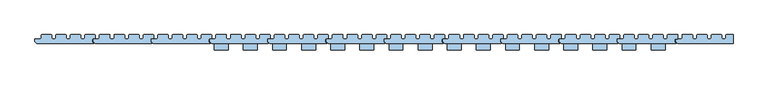
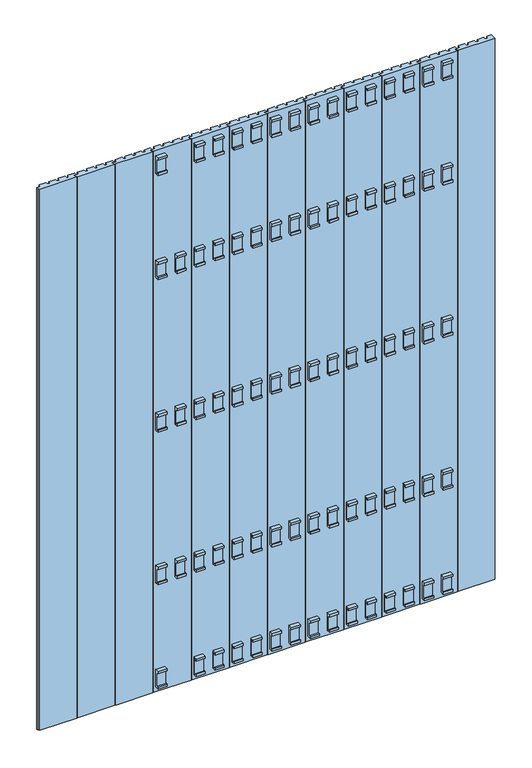
"""IFC4 building model written with IfcOpenShell, lengths in millimetres: window geometry."""

from ifc_helpers import new_model, si_unit, frame, origin, place, context, project, spatial, polyline, outline, extrude, source, transform, mapped, element, save


def window_fafd3f61(model_context):
    return source(origin(), model_context, "Body", "SweptSolid", [
        extrude(outline(polyline([(535.0, 131.0), (535.0, 137.0), (536.0, 138.0), (557.5, 138.0), (558.5, 137.0), (558.5, 131.0), (561.5, 128.0), (564.5, 128.0), (567.5, 131.0), (567.5, 137.0), (568.5, 138.0), (590.0, 138.0), (591.0, 137.0), (591.0, 131.0), (594.0, 128.0), (597.0, 128.0), (600.0, 131.0), (600.0, 137.0), (601.0, 138.0), (622.5, 138.0), (623.5, 137.0), (623.5, 131.0), (626.5, 128.0), (629.5, 128.0), (632.5, 131.0), (632.5, 137.0), (633.5, 138.0), (655.0, 138.0), (656.0, 137.0), (656.0, 129.0), (655.0, 128.0), (649.0, 128.0), (649.0, 122.0), (652.1, 118.9), (652.1, 118.0), (525.5, 118.0), (521.0, 122.5), (521.0, 128.0), (532.0, 128.0), (535.0, 131.0)])), frame((0.0, 0.0, 100.0), z_axis=(0.0, 0.0, 1.0), x_axis=(1.0, 0.0, 0.0)), (0.0, 0.0, 1.0), 1951.0),
        extrude(outline(polyline([(405.0, 131.0), (405.0, 137.0), (406.0, 138.0), (427.5, 138.0), (428.5, 137.0), (428.5, 131.0), (431.5, 128.0), (434.5, 128.0), (437.5, 131.0), (437.5, 137.0), (438.5, 138.0), (460.0, 138.0), (461.0, 137.0), (461.0, 131.0), (464.0, 128.0), (467.0, 128.0), (470.0, 131.0), (470.0, 137.0), (471.0, 138.0), (492.5, 138.0), (493.5, 137.0), (493.5, 131.0), (496.5, 128.0), (499.5, 128.0), (502.5, 131.0), (502.5, 137.0), (503.5, 138.0), (525.0, 138.0), (526.0, 137.0), (526.0, 129.0), (525.0, 128.0), (519.0, 128.0), (519.0, 122.0), (522.1, 118.9), (522.1, 118.0), (395.5, 118.0), (391.0, 122.5), (391.0, 128.0), (402.0, 128.0), (405.0, 131.0)])), frame((0.0, 0.0, 100.0), z_axis=(0.0, 0.0, 1.0), x_axis=(1.0, 0.0, 0.0)), (0.0, 0.0, 1.0), 1951.0),
        extrude(outline(polyline([(275.0, 131.0), (275.0, 137.0), (276.0, 138.0), (297.5, 138.0), (298.5, 137.0), (298.5, 131.0), (301.5, 128.0), (304.5, 128.0), (307.5, 131.0), (307.5, 137.0), (308.5, 138.0), (330.0, 138.0), (331.0, 137.0), (331.0, 131.0), (334.0, 128.0), (337.0, 128.0), (340.0, 131.0), (340.0, 137.0), (341.0, 138.0), (362.5, 138.0), (363.5, 137.0), (363.5, 131.0), (366.5, 128.0), (369.5, 128.0), (372.5, 131.0), (372.5, 137.0), (373.5, 138.0), (395.0, 138.0), (396.0, 137.0), (396.0, 129.0), (395.0, 128.0), (389.0, 128.0), (389.0, 122.0), (392.1, 118.9), (392.1, 118.0), (265.5, 118.0), (261.0, 122.5), (261.0, 128.0), (272.0, 128.0), (275.0, 131.0)])), frame((0.0, 0.0, 100.0), z_axis=(0.0, 0.0, 1.0), x_axis=(1.0, 0.0, 0.0)), (0.0, 0.0, 1.0), 1951.0),
        extrude(outline(polyline([(145.0, 131.0), (145.0, 137.0), (146.0, 138.0), (167.5, 138.0), (168.5, 137.0), (168.5, 131.0), (171.5, 128.0), (174.5, 128.0), (177.5, 131.0), (177.5, 137.0), (178.5, 138.0), (200.0, 138.0), (201.0, 137.0), (201.0, 131.0), (204.0, 128.0), (207.0, 128.0), (210.0, 131.0), (210.0, 137.0), (211.0, 138.0), (232.5, 138.0), (233.5, 137.0), (233.5, 131.0), (236.5, 128.0), (239.5, 128.0), (242.5, 131.0), (242.5, 137.0), (243.5, 138.0), (265.0, 138.0), (266.0, 137.0), (266.0, 129.0), (265.0, 128.0), (259.0, 128.0), (259.0, 122.0), (262.1, 118.9), (262.1, 118.0), (135.5, 118.0), (131.0, 122.5), (131.0, 128.0), (142.0, 128.0), (145.0, 131.0)])), frame((0.0, 0.0, 100.0), z_axis=(0.0, 0.0, 1.0), x_axis=(1.0, 0.0, 0.0)), (0.0, 0.0, 1.0), 1951.0),
        extrude(outline(polyline([(15.0, 131.0), (15.0, 137.0), (16.0, 138.0), (37.5, 138.0), (38.5, 137.0), (38.5, 131.0), (41.5, 128.0), (44.5, 128.0), (47.5, 131.0), (47.5, 137.0), (48.5, 138.0), (70.0, 138.0), (71.0, 137.0), (71.0, 131.0), (74.0, 128.0), (77.0, 128.0), (80.0, 131.0), (80.0, 137.0), (81.0, 138.0), (102.5, 138.0), (103.5, 137.0), (103.5, 131.0), (106.5, 128.0), (109.5, 128.0), (112.5, 131.0), (112.5, 137.0), (113.5, 138.0), (135.0, 138.0), (136.0, 137.0), (136.0, 129.0), (135.0, 128.0), (129.0, 128.0), (129.0, 122.0), (132.1, 118.9), (132.1, 118.0), (5.5, 118.0), (1.0, 122.5), (1.0, 128.0), (12.0, 128.0), (15.0, 131.0)])), frame((0.0, 0.0, 100.0), z_axis=(0.0, 0.0, 1.0), x_axis=(1.0, 0.0, 0.0)), (0.0, 0.0, 1.0), 1951.0),
        extrude(outline(polyline([(-115.0, 131.0), (-115.0, 137.0), (-114.0, 138.0), (-92.5, 138.0), (-91.5, 137.0), (-91.5, 131.0), (-88.5, 128.0), (-85.5, 128.0), (-82.5, 131.0), (-82.5, 137.0), (-81.5, 138.0), (-60.0, 138.0), (-59.0, 137.0), (-59.0, 131.0), (-56.0, 128.0), (-53.0, 128.0), (-50.0, 131.0), (-50.0, 137.0), (-49.0, 138.0), (-27.5, 138.0), (-26.5, 137.0), (-26.5, 131.0), (-23.5, 128.0), (-20.5, 128.0), (-17.5, 131.0), (-17.5, 137.0), (-16.5, 138.0), (5.0, 138.0), (6.0, 137.0), (6.0, 129.0), (5.0, 128.0), (-1.0, 128.0), (-1.0, 122.0), (2.1, 118.9), (2.1, 118.0), (-124.5, 118.0), (-129.0, 122.5), (-129.0, 128.0), (-118.0, 128.0), (-115.0, 131.0)])), frame((0.0, 0.0, 100.0), z_axis=(0.0, 0.0, 1.0), x_axis=(1.0, 0.0, 0.0)), (0.0, 0.0, 1.0), 1951.0),
        extrude(outline(polyline([(-245.0, 131.0), (-245.0, 137.0), (-244.0, 138.0), (-222.5, 138.0), (-221.5, 137.0), (-221.5, 131.0), (-218.5, 128.0), (-215.5, 128.0), (-212.5, 131.0), (-212.5, 137.0), (-211.5, 138.0), (-190.0, 138.0), (-189.0, 137.0), (-189.0, 131.0), (-186.0, 128.0), (-183.0, 128.0), (-180.0, 131.0), (-180.0, 137.0), (-179.0, 138.0), (-157.5, 138.0), (-156.5, 137.0), (-156.5, 131.0), (-153.5, 128.0), (-150.5, 128.0), (-147.5, 131.0), (-147.5, 137.0), (-146.5, 138.0), (-125.0, 138.0), (-124.0, 137.0), (-124.0, 129.0), (-125.0, 128.0), (-131.0, 128.0), (-131.0, 122.0), (-127.9, 118.9), (-127.9, 118.0), (-254.5, 118.0), (-259.0, 122.5), (-259.0, 128.0), (-248.0, 128.0), (-245.0, 131.0)])), frame((0.0, 0.0, 100.0), z_axis=(0.0, 0.0, 1.0), x_axis=(1.0, 0.0, 0.0)), (0.0, 0.0, 1.0), 1951.0),
        extrude(outline(polyline([(-375.0, 131.0), (-375.0, 137.0), (-374.0, 138.0), (-352.5, 138.0), (-351.5, 137.0), (-351.5, 131.0), (-348.5, 128.0), (-345.5, 128.0), (-342.5, 131.0), (-342.5, 137.0), (-341.5, 138.0), (-320.0, 138.0), (-319.0, 137.0), (-319.0, 131.0), (-316.0, 128.0), (-313.0, 128.0), (-310.0, 131.0), (-310.0, 137.0), (-309.0, 138.0), (-287.5, 138.0), (-286.5, 137.0), (-286.5, 131.0), (-283.5, 128.0), (-280.5, 128.0), (-277.5, 131.0), (-277.5, 137.0), (-276.5, 138.0), (-255.0, 138.0), (-254.0, 137.0), (-254.0, 129.0), (-255.0, 128.0), (-261.0, 128.0), (-261.0, 122.0), (-257.9, 118.9), (-257.9, 118.0), (-384.5, 118.0), (-389.0, 122.5), (-389.0, 128.0), (-378.0, 128.0), (-375.0, 131.0)])), frame((0.0, 0.0, 100.0), z_axis=(0.0, 0.0, 1.0), x_axis=(1.0, 0.0, 0.0)), (0.0, 0.0, 1.0), 1951.0),
        extrude(outline(polyline([(-505.0, 131.0), (-505.0, 137.0), (-504.0, 138.0), (-482.5, 138.0), (-481.5, 137.0), (-481.5, 131.0), (-478.5, 128.0), (-475.5, 128.0), (-472.5, 131.0), (-472.5, 137.0), (-471.5, 138.0), (-450.0, 138.0), (-449.0, 137.0), (-449.0, 131.0), (-446.0, 128.0), (-443.0, 128.0), (-440.0, 131.0), (-440.0, 137.0), (-439.0, 138.0), (-417.5, 138.0), (-416.5, 137.0), (-416.5, 131.0), (-413.5, 128.0), (-410.5, 128.0), (-407.5, 131.0), (-407.5, 137.0), (-406.5, 138.0), (-385.0, 138.0), (-384.0, 137.0), (-384.0, 129.0), (-385.0, 128.0), (-391.0, 128.0), (-391.0, 122.0), (-387.9, 118.9), (-387.9, 118.0), (-514.5, 118.0), (-519.0, 122.5), (-519.0, 128.0), (-508.0, 128.0), (-505.0, 131.0)])), frame((0.0, 0.0, 100.0), z_axis=(0.0, 0.0, 1.0), x_axis=(1.0, 0.0, 0.0)), (0.0, 0.0, 1.0), 1951.0),
        extrude(outline(polyline([(-635.0, 131.0), (-635.0, 137.0), (-634.0, 138.0), (-612.5, 138.0), (-611.5, 137.0), (-611.5, 131.0), (-608.5, 128.0), (-605.5, 128.0), (-602.5, 131.0), (-602.5, 137.0), (-601.5, 138.0), (-580.0, 138.0), (-579.0, 137.0), (-579.0, 131.0), (-576.0, 128.0), (-573.0, 128.0), (-570.0, 131.0), (-570.0, 137.0), (-569.0, 138.0), (-547.5, 138.0), (-546.5, 137.0), (-546.5, 131.0), (-543.5, 128.0), (-540.5, 128.0), (-537.5, 131.0), (-537.5, 137.0), (-536.5, 138.0), (-515.0, 138.0), (-514.0, 137.0), (-514.0, 129.0), (-515.0, 128.0), (-521.0, 128.0), (-521.0, 122.0), (-517.9, 118.9), (-517.9, 118.0), (-644.5, 118.0), (-649.0, 122.5), (-649.0, 128.0), (-638.0, 128.0), (-635.0, 131.0)])), frame((0.0, 0.0, 100.0), z_axis=(0.0, 0.0, 1.0), x_axis=(1.0, 0.0, 0.0)), (0.0, 0.0, 1.0), 1951.0),
        extrude(outline(polyline([(665.0, 131.0), (665.0, 137.0), (666.0, 138.0), (687.5, 138.0), (688.5, 137.0), (688.5, 131.0), (691.5, 128.0), (694.5, 128.0), (697.5, 131.0), (697.5, 137.0), (698.5, 138.0), (720.0, 138.0), (721.0, 137.0), (721.0, 131.0), (724.0, 128.0), (727.0, 128.0), (730.0, 131.0), (730.0, 137.0), (731.0, 138.0), (752.5, 138.0), (753.5, 137.0), (753.5, 131.0), (756.5, 128.0), (759.5, 128.0), (762.5, 131.0), (762.5, 137.0), (763.5, 138.0), (779.0, 138.0), (779.0, 118.0), (655.5, 118.0), (651.0, 122.5), (651.0, 128.0), (662.0, 128.0), (665.0, 131.0)])), frame((0.0, 0.0, 100.0), z_axis=(0.0, 0.0, 1.0), x_axis=(1.0, 0.0, 0.0)), (0.0, 0.0, 1.0), 1951.0),
        extrude(outline(polyline([(-765.0, 131.0), (-765.0, 137.0), (-764.0, 138.0), (-742.5, 138.0), (-741.5, 137.0), (-741.5, 131.0), (-738.5, 128.0), (-735.5, 128.0), (-732.5, 131.0), (-732.5, 137.0), (-731.5, 138.0), (-710.0, 138.0), (-709.0, 137.0), (-709.0, 131.0), (-706.0, 128.0), (-703.0, 128.0), (-700.0, 131.0), (-700.0, 137.0), (-699.0, 138.0), (-677.5, 138.0), (-676.5, 137.0), (-676.5, 131.0), (-673.5, 128.0), (-670.5, 128.0), (-667.5, 131.0), (-667.5, 137.0), (-666.5, 138.0), (-645.0, 138.0), (-644.0, 137.0), (-644.0, 129.0), (-645.0, 128.0), (-651.0, 128.0), (-651.0, 122.0), (-647.9, 118.9), (-647.9, 118.0), (-774.5, 118.0), (-779.0, 122.5), (-779.0, 128.0), (-768.0, 128.0), (-765.0, 131.0)])), frame((0.0, 0.0, 100.0), z_axis=(0.0, 0.0, 1.0), x_axis=(1.0, 0.0, 0.0)), (0.0, 0.0, 1.0), 1951.0),
        extrude(outline(polyline([(112.0, 1653.0936804), (107.8, 1653.0936804), (107.8, 1649.0936804), (104.0, 1649.0936804), (104.0, 1657.0), (117.9, 1657.0), (117.9, 1594.0), (104.0, 1594.0), (104.0, 1601.9063196), (107.8, 1601.9063196), (107.8, 1597.9063196), (112.0, 1597.9063196), (112.0, 1653.0936804)])), frame((531.3, 0.0, 0.0), z_axis=(1.0, 0.0, 0.0), x_axis=(0.0, 1.0, 0.0)), (0.0, 0.0, 1.0), 31.0),
        extrude(outline(polyline([(112.0, 1103.0936804), (107.8, 1103.0936804), (107.8, 1099.0936804), (104.0, 1099.0936804), (104.0, 1107.0), (117.9, 1107.0), (117.9, 1044.0), (104.0, 1044.0), (104.0, 1051.9063196), (107.8, 1051.9063196), (107.8, 1047.9063196), (112.0, 1047.9063196), (112.0, 1103.0936804)])), frame((531.3, 0.0, 0.0), z_axis=(1.0, 0.0, 0.0), x_axis=(0.0, 1.0, 0.0)), (0.0, 0.0, 1.0), 31.0),
        extrude(outline(polyline([(112.0, 553.0936804), (107.8, 553.0936804), (107.8, 549.0936804), (104.0, 549.0936804), (104.0, 557.0), (117.9, 557.0), (117.9, 494.0), (104.0, 494.0), (104.0, 501.9063196), (107.8, 501.9063196), (107.8, 497.9063196), (112.0, 497.9063196), (112.0, 553.0936804)])), frame((531.3, 0.0, 0.0), z_axis=(1.0, 0.0, 0.0), x_axis=(0.0, 1.0, 0.0)), (0.0, 0.0, 1.0), 31.0),
        extrude(outline(polyline([(112.0, 1973.9063196), (112.0, 2029.0936804), (107.8, 2029.0936804), (107.8, 2025.0936804), (104.0, 2025.0936804), (104.0, 2033.0), (117.9, 2033.0), (117.9, 1970.0), (104.0, 1970.0), (104.0, 1977.9063196), (107.8, 1977.9063196), (107.8, 1973.9063196), (112.0, 1973.9063196)])), frame((531.3, 0.0, 0.0), z_axis=(1.0, 0.0, 0.0), x_axis=(0.0, 1.0, 0.0)), (0.0, 0.0, 1.0), 31.0),
        extrude(outline(polyline([(112.0, 177.0936804), (107.8, 177.0936804), (107.8, 173.0936804), (104.0, 173.0936804), (104.0, 181.0), (117.9, 181.0), (117.9, 118.0), (104.0, 118.0), (104.0, 125.9063196), (107.8, 125.9063196), (107.8, 121.9063196), (112.0, 121.9063196), (112.0, 177.0936804)])), frame((531.3, 0.0, 0.0), z_axis=(1.0, 0.0, 0.0), x_axis=(0.0, 1.0, 0.0)), (0.0, 0.0, 1.0), 31.0),
        extrude(outline(polyline([(112.0, 1653.0936804), (107.8, 1653.0936804), (107.8, 1649.0936804), (104.0, 1649.0936804), (104.0, 1657.0), (117.9, 1657.0), (117.9, 1594.0), (104.0, 1594.0), (104.0, 1601.9063196), (107.8, 1601.9063196), (107.8, 1597.9063196), (112.0, 1597.9063196), (112.0, 1653.0936804)])), frame((596.25, 0.0, 0.0), z_axis=(1.0, 0.0, 0.0), x_axis=(0.0, 1.0, 0.0)), (0.0, 0.0, 1.0), 31.0),
        extrude(outline(polyline([(112.0, 1103.0936804), (107.8, 1103.0936804), (107.8, 1099.0936804), (104.0, 1099.0936804), (104.0, 1107.0), (117.9, 1107.0), (117.9, 1044.0), (104.0, 1044.0), (104.0, 1051.9063196), (107.8, 1051.9063196), (107.8, 1047.9063196), (112.0, 1047.9063196), (112.0, 1103.0936804)])), frame((596.25, 0.0, 0.0), z_axis=(1.0, 0.0, 0.0), x_axis=(0.0, 1.0, 0.0)), (0.0, 0.0, 1.0), 31.0),
        extrude(outline(polyline([(112.0, 553.0936804), (107.8, 553.0936804), (107.8, 549.0936804), (104.0, 549.0936804), (104.0, 557.0), (117.9, 557.0), (117.9, 494.0), (104.0, 494.0), (104.0, 501.9063196), (107.8, 501.9063196), (107.8, 497.9063196), (112.0, 497.9063196), (112.0, 553.0936804)])), frame((596.25, 0.0, 0.0), z_axis=(1.0, 0.0, 0.0), x_axis=(0.0, 1.0, 0.0)), (0.0, 0.0, 1.0), 31.0),
        extrude(outline(polyline([(112.0, 1973.9063196), (112.0, 2029.0936804), (107.8, 2029.0936804), (107.8, 2025.0936804), (104.0, 2025.0936804), (104.0, 2033.0), (117.9, 2033.0), (117.9, 1970.0), (104.0, 1970.0), (104.0, 1977.9063196), (107.8, 1977.9063196), (107.8, 1973.9063196), (112.0, 1973.9063196)])), frame((596.25, 0.0, 0.0), z_axis=(1.0, 0.0, 0.0), x_axis=(0.0, 1.0, 0.0)), (0.0, 0.0, 1.0), 31.0),
        extrude(outline(polyline([(112.0, 177.0936804), (107.8, 177.0936804), (107.8, 173.0936804), (104.0, 173.0936804), (104.0, 181.0), (117.9, 181.0), (117.9, 118.0), (104.0, 118.0), (104.0, 125.9063196), (107.8, 125.9063196), (107.8, 121.9063196), (112.0, 121.9063196), (112.0, 177.0936804)])), frame((596.25, 0.0, 0.0), z_axis=(1.0, 0.0, 0.0), x_axis=(0.0, 1.0, 0.0)), (0.0, 0.0, 1.0), 31.0),
        extrude(outline(polyline([(112.0, 1653.0936804), (107.8, 1653.0936804), (107.8, 1649.0936804), (104.0, 1649.0936804), (104.0, 1657.0), (117.9, 1657.0), (117.9, 1594.0), (104.0, 1594.0), (104.0, 1601.9063196), (107.8, 1601.9063196), (107.8, 1597.9063196), (112.0, 1597.9063196), (112.0, 1653.0936804)])), frame((401.3, 0.0, 0.0), z_axis=(1.0, 0.0, 0.0), x_axis=(0.0, 1.0, 0.0)), (0.0, 0.0, 1.0), 31.0),
        extrude(outline(polyline([(112.0, 1103.0936804), (107.8, 1103.0936804), (107.8, 1099.0936804), (104.0, 1099.0936804), (104.0, 1107.0), (117.9, 1107.0), (117.9, 1044.0), (104.0, 1044.0), (104.0, 1051.9063196), (107.8, 1051.9063196), (107.8, 1047.9063196), (112.0, 1047.9063196), (112.0, 1103.0936804)])), frame((401.3, 0.0, 0.0), z_axis=(1.0, 0.0, 0.0), x_axis=(0.0, 1.0, 0.0)), (0.0, 0.0, 1.0), 31.0),
        extrude(outline(polyline([(112.0, 553.0936804), (107.8, 553.0936804), (107.8, 549.0936804), (104.0, 549.0936804), (104.0, 557.0), (117.9, 557.0), (117.9, 494.0), (104.0, 494.0), (104.0, 501.9063196), (107.8, 501.9063196), (107.8, 497.9063196), (112.0, 497.9063196), (112.0, 553.0936804)])), frame((401.3, 0.0, 0.0), z_axis=(1.0, 0.0, 0.0), x_axis=(0.0, 1.0, 0.0)), (0.0, 0.0, 1.0), 31.0),
        extrude(outline(polyline([(112.0, 1973.9063196), (112.0, 2029.0936804), (107.8, 2029.0936804), (107.8, 2025.0936804), (104.0, 2025.0936804), (104.0, 2033.0), (117.9, 2033.0), (117.9, 1970.0), (104.0, 1970.0), (104.0, 1977.9063196), (107.8, 1977.9063196), (107.8, 1973.9063196), (112.0, 1973.9063196)])), frame((401.3, 0.0, 0.0), z_axis=(1.0, 0.0, 0.0), x_axis=(0.0, 1.0, 0.0)), (0.0, 0.0, 1.0), 31.0),
        extrude(outline(polyline([(112.0, 177.0936804), (107.8, 177.0936804), (107.8, 173.0936804), (104.0, 173.0936804), (104.0, 181.0), (117.9, 181.0), (117.9, 118.0), (104.0, 118.0), (104.0, 125.9063196), (107.8, 125.9063196), (107.8, 121.9063196), (112.0, 121.9063196), (112.0, 177.0936804)])), frame((401.3, 0.0, 0.0), z_axis=(1.0, 0.0, 0.0), x_axis=(0.0, 1.0, 0.0)), (0.0, 0.0, 1.0), 31.0),
        extrude(outline(polyline([(112.0, 1653.0936804), (107.8, 1653.0936804), (107.8, 1649.0936804), (104.0, 1649.0936804), (104.0, 1657.0), (117.9, 1657.0), (117.9, 1594.0), (104.0, 1594.0), (104.0, 1601.9063196), (107.8, 1601.9063196), (107.8, 1597.9063196), (112.0, 1597.9063196), (112.0, 1653.0936804)])), frame((466.25, 0.0, 0.0), z_axis=(1.0, 0.0, 0.0), x_axis=(0.0, 1.0, 0.0)), (0.0, 0.0, 1.0), 31.0),
        extrude(outline(polyline([(112.0, 1103.0936804), (107.8, 1103.0936804), (107.8, 1099.0936804), (104.0, 1099.0936804), (104.0, 1107.0), (117.9, 1107.0), (117.9, 1044.0), (104.0, 1044.0), (104.0, 1051.9063196), (107.8, 1051.9063196), (107.8, 1047.9063196), (112.0, 1047.9063196), (112.0, 1103.0936804)])), frame((466.25, 0.0, 0.0), z_axis=(1.0, 0.0, 0.0), x_axis=(0.0, 1.0, 0.0)), (0.0, 0.0, 1.0), 31.0),
        extrude(outline(polyline([(112.0, 553.0936804), (107.8, 553.0936804), (107.8, 549.0936804), (104.0, 549.0936804), (104.0, 557.0), (117.9, 557.0), (117.9, 494.0), (104.0, 494.0), (104.0, 501.9063196), (107.8, 501.9063196), (107.8, 497.9063196), (112.0, 497.9063196), (112.0, 553.0936804)])), frame((466.25, 0.0, 0.0), z_axis=(1.0, 0.0, 0.0), x_axis=(0.0, 1.0, 0.0)), (0.0, 0.0, 1.0), 31.0),
        extrude(outline(polyline([(112.0, 1973.9063196), (112.0, 2029.0936804), (107.8, 2029.0936804), (107.8, 2025.0936804), (104.0, 2025.0936804), (104.0, 2033.0), (117.9, 2033.0), (117.9, 1970.0), (104.0, 1970.0), (104.0, 1977.9063196), (107.8, 1977.9063196), (107.8, 1973.9063196), (112.0, 1973.9063196)])), frame((466.25, 0.0, 0.0), z_axis=(1.0, 0.0, 0.0), x_axis=(0.0, 1.0, 0.0)), (0.0, 0.0, 1.0), 31.0),
        extrude(outline(polyline([(112.0, 177.0936804), (107.8, 177.0936804), (107.8, 173.0936804), (104.0, 173.0936804), (104.0, 181.0), (117.9, 181.0), (117.9, 118.0), (104.0, 118.0), (104.0, 125.9063196), (107.8, 125.9063196), (107.8, 121.9063196), (112.0, 121.9063196), (112.0, 177.0936804)])), frame((466.25, 0.0, 0.0), z_axis=(1.0, 0.0, 0.0), x_axis=(0.0, 1.0, 0.0)), (0.0, 0.0, 1.0), 31.0),
        extrude(outline(polyline([(112.0, 1653.0936804), (107.8, 1653.0936804), (107.8, 1649.0936804), (104.0, 1649.0936804), (104.0, 1657.0), (117.9, 1657.0), (117.9, 1594.0), (104.0, 1594.0), (104.0, 1601.9063196), (107.8, 1601.9063196), (107.8, 1597.9063196), (112.0, 1597.9063196), (112.0, 1653.0936804)])), frame((271.3, 0.0, 0.0), z_axis=(1.0, 0.0, 0.0), x_axis=(0.0, 1.0, 0.0)), (0.0, 0.0, 1.0), 31.0),
        extrude(outline(polyline([(112.0, 1103.0936804), (107.8, 1103.0936804), (107.8, 1099.0936804), (104.0, 1099.0936804), (104.0, 1107.0), (117.9, 1107.0), (117.9, 1044.0), (104.0, 1044.0), (104.0, 1051.9063196), (107.8, 1051.9063196), (107.8, 1047.9063196), (112.0, 1047.9063196), (112.0, 1103.0936804)])), frame((271.3, 0.0, 0.0), z_axis=(1.0, 0.0, 0.0), x_axis=(0.0, 1.0, 0.0)), (0.0, 0.0, 1.0), 31.0),
        extrude(outline(polyline([(112.0, 553.0936804), (107.8, 553.0936804), (107.8, 549.0936804), (104.0, 549.0936804), (104.0, 557.0), (117.9, 557.0), (117.9, 494.0), (104.0, 494.0), (104.0, 501.9063196), (107.8, 501.9063196), (107.8, 497.9063196), (112.0, 497.9063196), (112.0, 553.0936804)])), frame((271.3, 0.0, 0.0), z_axis=(1.0, 0.0, 0.0), x_axis=(0.0, 1.0, 0.0)), (0.0, 0.0, 1.0), 31.0),
        extrude(outline(polyline([(112.0, 1973.9063196), (112.0, 2029.0936804), (107.8, 2029.0936804), (107.8, 2025.0936804), (104.0, 2025.0936804), (104.0, 2033.0), (117.9, 2033.0), (117.9, 1970.0), (104.0, 1970.0), (104.0, 1977.9063196), (107.8, 1977.9063196), (107.8, 1973.9063196), (112.0, 1973.9063196)])), frame((271.3, 0.0, 0.0), z_axis=(1.0, 0.0, 0.0), x_axis=(0.0, 1.0, 0.0)), (0.0, 0.0, 1.0), 31.0),
        extrude(outline(polyline([(112.0, 177.0936804), (107.8, 177.0936804), (107.8, 173.0936804), (104.0, 173.0936804), (104.0, 181.0), (117.9, 181.0), (117.9, 118.0), (104.0, 118.0), (104.0, 125.9063196), (107.8, 125.9063196), (107.8, 121.9063196), (112.0, 121.9063196), (112.0, 177.0936804)])), frame((271.3, 0.0, 0.0), z_axis=(1.0, 0.0, 0.0), x_axis=(0.0, 1.0, 0.0)), (0.0, 0.0, 1.0), 31.0),
        extrude(outline(polyline([(112.0, 1653.0936804), (107.8, 1653.0936804), (107.8, 1649.0936804), (104.0, 1649.0936804), (104.0, 1657.0), (117.9, 1657.0), (117.9, 1594.0), (104.0, 1594.0), (104.0, 1601.9063196), (107.8, 1601.9063196), (107.8, 1597.9063196), (112.0, 1597.9063196), (112.0, 1653.0936804)])), frame((336.25, 0.0, 0.0), z_axis=(1.0, 0.0, 0.0), x_axis=(0.0, 1.0, 0.0)), (0.0, 0.0, 1.0), 31.0),
        extrude(outline(polyline([(112.0, 1103.0936804), (107.8, 1103.0936804), (107.8, 1099.0936804), (104.0, 1099.0936804), (104.0, 1107.0), (117.9, 1107.0), (117.9, 1044.0), (104.0, 1044.0), (104.0, 1051.9063196), (107.8, 1051.9063196), (107.8, 1047.9063196), (112.0, 1047.9063196), (112.0, 1103.0936804)])), frame((336.25, 0.0, 0.0), z_axis=(1.0, 0.0, 0.0), x_axis=(0.0, 1.0, 0.0)), (0.0, 0.0, 1.0), 31.0),
        extrude(outline(polyline([(112.0, 553.0936804), (107.8, 553.0936804), (107.8, 549.0936804), (104.0, 549.0936804), (104.0, 557.0), (117.9, 557.0), (117.9, 494.0), (104.0, 494.0), (104.0, 501.9063196), (107.8, 501.9063196), (107.8, 497.9063196), (112.0, 497.9063196), (112.0, 553.0936804)])), frame((336.25, 0.0, 0.0), z_axis=(1.0, 0.0, 0.0), x_axis=(0.0, 1.0, 0.0)), (0.0, 0.0, 1.0), 31.0),
        extrude(outline(polyline([(112.0, 1973.9063196), (112.0, 2029.0936804), (107.8, 2029.0936804), (107.8, 2025.0936804), (104.0, 2025.0936804), (104.0, 2033.0), (117.9, 2033.0), (117.9, 1970.0), (104.0, 1970.0), (104.0, 1977.9063196), (107.8, 1977.9063196), (107.8, 1973.9063196), (112.0, 1973.9063196)])), frame((336.25, 0.0, 0.0), z_axis=(1.0, 0.0, 0.0), x_axis=(0.0, 1.0, 0.0)), (0.0, 0.0, 1.0), 31.0),
        extrude(outline(polyline([(112.0, 177.0936804), (107.8, 177.0936804), (107.8, 173.0936804), (104.0, 173.0936804), (104.0, 181.0), (117.9, 181.0), (117.9, 118.0), (104.0, 118.0), (104.0, 125.9063196), (107.8, 125.9063196), (107.8, 121.9063196), (112.0, 121.9063196), (112.0, 177.0936804)])), frame((336.25, 0.0, 0.0), z_axis=(1.0, 0.0, 0.0), x_axis=(0.0, 1.0, 0.0)), (0.0, 0.0, 1.0), 31.0),
        extrude(outline(polyline([(112.0, 1653.0936804), (107.8, 1653.0936804), (107.8, 1649.0936804), (104.0, 1649.0936804), (104.0, 1657.0), (117.9, 1657.0), (117.9, 1594.0), (104.0, 1594.0), (104.0, 1601.9063196), (107.8, 1601.9063196), (107.8, 1597.9063196), (112.0, 1597.9063196), (112.0, 1653.0936804)])), frame((141.3, 0.0, 0.0), z_axis=(1.0, 0.0, 0.0), x_axis=(0.0, 1.0, 0.0)), (0.0, 0.0, 1.0), 31.0),
        extrude(outline(polyline([(112.0, 1103.0936804), (107.8, 1103.0936804), (107.8, 1099.0936804), (104.0, 1099.0936804), (104.0, 1107.0), (117.9, 1107.0), (117.9, 1044.0), (104.0, 1044.0), (104.0, 1051.9063196), (107.8, 1051.9063196), (107.8, 1047.9063196), (112.0, 1047.9063196), (112.0, 1103.0936804)])), frame((141.3, 0.0, 0.0), z_axis=(1.0, 0.0, 0.0), x_axis=(0.0, 1.0, 0.0)), (0.0, 0.0, 1.0), 31.0),
        extrude(outline(polyline([(112.0, 553.0936804), (107.8, 553.0936804), (107.8, 549.0936804), (104.0, 549.0936804), (104.0, 557.0), (117.9, 557.0), (117.9, 494.0), (104.0, 494.0), (104.0, 501.9063196), (107.8, 501.9063196), (107.8, 497.9063196), (112.0, 497.9063196), (112.0, 553.0936804)])), frame((141.3, 0.0, 0.0), z_axis=(1.0, 0.0, 0.0), x_axis=(0.0, 1.0, 0.0)), (0.0, 0.0, 1.0), 31.0),
        extrude(outline(polyline([(112.0, 1973.9063196), (112.0, 2029.0936804), (107.8, 2029.0936804), (107.8, 2025.0936804), (104.0, 2025.0936804), (104.0, 2033.0), (117.9, 2033.0), (117.9, 1970.0), (104.0, 1970.0), (104.0, 1977.9063196), (107.8, 1977.9063196), (107.8, 1973.9063196), (112.0, 1973.9063196)])), frame((141.3, 0.0, 0.0), z_axis=(1.0, 0.0, 0.0), x_axis=(0.0, 1.0, 0.0)), (0.0, 0.0, 1.0), 31.0),
        extrude(outline(polyline([(112.0, 177.0936804), (107.8, 177.0936804), (107.8, 173.0936804), (104.0, 173.0936804), (104.0, 181.0), (117.9, 181.0), (117.9, 118.0), (104.0, 118.0), (104.0, 125.9063196), (107.8, 125.9063196), (107.8, 121.9063196), (112.0, 121.9063196), (112.0, 177.0936804)])), frame((141.3, 0.0, 0.0), z_axis=(1.0, 0.0, 0.0), x_axis=(0.0, 1.0, 0.0)), (0.0, 0.0, 1.0), 31.0),
        extrude(outline(polyline([(112.0, 1653.0936804), (107.8, 1653.0936804), (107.8, 1649.0936804), (104.0, 1649.0936804), (104.0, 1657.0), (117.9, 1657.0), (117.9, 1594.0), (104.0, 1594.0), (104.0, 1601.9063196), (107.8, 1601.9063196), (107.8, 1597.9063196), (112.0, 1597.9063196), (112.0, 1653.0936804)])), frame((206.25, 0.0, 0.0), z_axis=(1.0, 0.0, 0.0), x_axis=(0.0, 1.0, 0.0)), (0.0, 0.0, 1.0), 31.0),
        extrude(outline(polyline([(112.0, 1103.0936804), (107.8, 1103.0936804), (107.8, 1099.0936804), (104.0, 1099.0936804), (104.0, 1107.0), (117.9, 1107.0), (117.9, 1044.0), (104.0, 1044.0), (104.0, 1051.9063196), (107.8, 1051.9063196), (107.8, 1047.9063196), (112.0, 1047.9063196), (112.0, 1103.0936804)])), frame((206.25, 0.0, 0.0), z_axis=(1.0, 0.0, 0.0), x_axis=(0.0, 1.0, 0.0)), (0.0, 0.0, 1.0), 31.0),
        extrude(outline(polyline([(112.0, 553.0936804), (107.8, 553.0936804), (107.8, 549.0936804), (104.0, 549.0936804), (104.0, 557.0), (117.9, 557.0), (117.9, 494.0), (104.0, 494.0), (104.0, 501.9063196), (107.8, 501.9063196), (107.8, 497.9063196), (112.0, 497.9063196), (112.0, 553.0936804)])), frame((206.25, 0.0, 0.0), z_axis=(1.0, 0.0, 0.0), x_axis=(0.0, 1.0, 0.0)), (0.0, 0.0, 1.0), 31.0),
        extrude(outline(polyline([(112.0, 1973.9063196), (112.0, 2029.0936804), (107.8, 2029.0936804), (107.8, 2025.0936804), (104.0, 2025.0936804), (104.0, 2033.0), (117.9, 2033.0), (117.9, 1970.0), (104.0, 1970.0), (104.0, 1977.9063196), (107.8, 1977.9063196), (107.8, 1973.9063196), (112.0, 1973.9063196)])), frame((206.25, 0.0, 0.0), z_axis=(1.0, 0.0, 0.0), x_axis=(0.0, 1.0, 0.0)), (0.0, 0.0, 1.0), 31.0),
        extrude(outline(polyline([(112.0, 177.0936804), (107.8, 177.0936804), (107.8, 173.0936804), (104.0, 173.0936804), (104.0, 181.0), (117.9, 181.0), (117.9, 118.0), (104.0, 118.0), (104.0, 125.9063196), (107.8, 125.9063196), (107.8, 121.9063196), (112.0, 121.9063196), (112.0, 177.0936804)])), frame((206.25, 0.0, 0.0), z_axis=(1.0, 0.0, 0.0), x_axis=(0.0, 1.0, 0.0)), (0.0, 0.0, 1.0), 31.0),
        extrude(outline(polyline([(112.0, 1653.0936804), (107.8, 1653.0936804), (107.8, 1649.0936804), (104.0, 1649.0936804), (104.0, 1657.0), (117.9, 1657.0), (117.9, 1594.0), (104.0, 1594.0), (104.0, 1601.9063196), (107.8, 1601.9063196), (107.8, 1597.9063196), (112.0, 1597.9063196), (112.0, 1653.0936804)])), frame((11.3, 0.0, 0.0), z_axis=(1.0, 0.0, 0.0), x_axis=(0.0, 1.0, 0.0)), (0.0, 0.0, 1.0), 31.0),
        extrude(outline(polyline([(112.0, 1103.0936804), (107.8, 1103.0936804), (107.8, 1099.0936804), (104.0, 1099.0936804), (104.0, 1107.0), (117.9, 1107.0), (117.9, 1044.0), (104.0, 1044.0), (104.0, 1051.9063196), (107.8, 1051.9063196), (107.8, 1047.9063196), (112.0, 1047.9063196), (112.0, 1103.0936804)])), frame((11.3, 0.0, 0.0), z_axis=(1.0, 0.0, 0.0), x_axis=(0.0, 1.0, 0.0)), (0.0, 0.0, 1.0), 31.0),
        extrude(outline(polyline([(112.0, 553.0936804), (107.8, 553.0936804), (107.8, 549.0936804), (104.0, 549.0936804), (104.0, 557.0), (117.9, 557.0), (117.9, 494.0), (104.0, 494.0), (104.0, 501.9063196), (107.8, 501.9063196), (107.8, 497.9063196), (112.0, 497.9063196), (112.0, 553.0936804)])), frame((11.3, 0.0, 0.0), z_axis=(1.0, 0.0, 0.0), x_axis=(0.0, 1.0, 0.0)), (0.0, 0.0, 1.0), 31.0),
        extrude(outline(polyline([(112.0, 1973.9063196), (112.0, 2029.0936804), (107.8, 2029.0936804), (107.8, 2025.0936804), (104.0, 2025.0936804), (104.0, 2033.0), (117.9, 2033.0), (117.9, 1970.0), (104.0, 1970.0), (104.0, 1977.9063196), (107.8, 1977.9063196), (107.8, 1973.9063196), (112.0, 1973.9063196)])), frame((11.3, 0.0, 0.0), z_axis=(1.0, 0.0, 0.0), x_axis=(0.0, 1.0, 0.0)), (0.0, 0.0, 1.0), 31.0),
        extrude(outline(polyline([(112.0, 177.0936804), (107.8, 177.0936804), (107.8, 173.0936804), (104.0, 173.0936804), (104.0, 181.0), (117.9, 181.0), (117.9, 118.0), (104.0, 118.0), (104.0, 125.9063196), (107.8, 125.9063196), (107.8, 121.9063196), (112.0, 121.9063196), (112.0, 177.0936804)])), frame((11.3, 0.0, 0.0), z_axis=(1.0, 0.0, 0.0), x_axis=(0.0, 1.0, 0.0)), (0.0, 0.0, 1.0), 31.0),
        extrude(outline(polyline([(112.0, 1653.0936804), (107.8, 1653.0936804), (107.8, 1649.0936804), (104.0, 1649.0936804), (104.0, 1657.0), (117.9, 1657.0), (117.9, 1594.0), (104.0, 1594.0), (104.0, 1601.9063196), (107.8, 1601.9063196), (107.8, 1597.9063196), (112.0, 1597.9063196), (112.0, 1653.0936804)])), frame((76.25, 0.0, 0.0), z_axis=(1.0, 0.0, 0.0), x_axis=(0.0, 1.0, 0.0)), (0.0, 0.0, 1.0), 31.0),
        extrude(outline(polyline([(112.0, 1103.0936804), (107.8, 1103.0936804), (107.8, 1099.0936804), (104.0, 1099.0936804), (104.0, 1107.0), (117.9, 1107.0), (117.9, 1044.0), (104.0, 1044.0), (104.0, 1051.9063196), (107.8, 1051.9063196), (107.8, 1047.9063196), (112.0, 1047.9063196), (112.0, 1103.0936804)])), frame((76.25, 0.0, 0.0), z_axis=(1.0, 0.0, 0.0), x_axis=(0.0, 1.0, 0.0)), (0.0, 0.0, 1.0), 31.0),
        extrude(outline(polyline([(112.0, 553.0936804), (107.8, 553.0936804), (107.8, 549.0936804), (104.0, 549.0936804), (104.0, 557.0), (117.9, 557.0), (117.9, 494.0), (104.0, 494.0), (104.0, 501.9063196), (107.8, 501.9063196), (107.8, 497.9063196), (112.0, 497.9063196), (112.0, 553.0936804)])), frame((76.25, 0.0, 0.0), z_axis=(1.0, 0.0, 0.0), x_axis=(0.0, 1.0, 0.0)), (0.0, 0.0, 1.0), 31.0),
        extrude(outline(polyline([(112.0, 1973.9063196), (112.0, 2029.0936804), (107.8, 2029.0936804), (107.8, 2025.0936804), (104.0, 2025.0936804), (104.0, 2033.0), (117.9, 2033.0), (117.9, 1970.0), (104.0, 1970.0), (104.0, 1977.9063196), (107.8, 1977.9063196), (107.8, 1973.9063196), (112.0, 1973.9063196)])), frame((76.25, 0.0, 0.0), z_axis=(1.0, 0.0, 0.0), x_axis=(0.0, 1.0, 0.0)), (0.0, 0.0, 1.0), 31.0),
        extrude(outline(polyline([(112.0, 177.0936804), (107.8, 177.0936804), (107.8, 173.0936804), (104.0, 173.0936804), (104.0, 181.0), (117.9, 181.0), (117.9, 118.0), (104.0, 118.0), (104.0, 125.9063196), (107.8, 125.9063196), (107.8, 121.9063196), (112.0, 121.9063196), (112.0, 177.0936804)])), frame((76.25, 0.0, 0.0), z_axis=(1.0, 0.0, 0.0), x_axis=(0.0, 1.0, 0.0)), (0.0, 0.0, 1.0), 31.0),
        extrude(outline(polyline([(112.0, 1653.0936804), (107.8, 1653.0936804), (107.8, 1649.0936804), (104.0, 1649.0936804), (104.0, 1657.0), (117.9, 1657.0), (117.9, 1594.0), (104.0, 1594.0), (104.0, 1601.9063196), (107.8, 1601.9063196), (107.8, 1597.9063196), (112.0, 1597.9063196), (112.0, 1653.0936804)])), frame((-118.7, 0.0, 0.0), z_axis=(1.0, 0.0, 0.0), x_axis=(0.0, 1.0, 0.0)), (0.0, 0.0, 1.0), 31.0),
        extrude(outline(polyline([(112.0, 1103.0936804), (107.8, 1103.0936804), (107.8, 1099.0936804), (104.0, 1099.0936804), (104.0, 1107.0), (117.9, 1107.0), (117.9, 1044.0), (104.0, 1044.0), (104.0, 1051.9063196), (107.8, 1051.9063196), (107.8, 1047.9063196), (112.0, 1047.9063196), (112.0, 1103.0936804)])), frame((-118.7, 0.0, 0.0), z_axis=(1.0, 0.0, 0.0), x_axis=(0.0, 1.0, 0.0)), (0.0, 0.0, 1.0), 31.0),
        extrude(outline(polyline([(112.0, 553.0936804), (107.8, 553.0936804), (107.8, 549.0936804), (104.0, 549.0936804), (104.0, 557.0), (117.9, 557.0), (117.9, 494.0), (104.0, 494.0), (104.0, 501.9063196), (107.8, 501.9063196), (107.8, 497.9063196), (112.0, 497.9063196), (112.0, 553.0936804)])), frame((-118.7, 0.0, 0.0), z_axis=(1.0, 0.0, 0.0), x_axis=(0.0, 1.0, 0.0)), (0.0, 0.0, 1.0), 31.0),
        extrude(outline(polyline([(112.0, 1973.9063196), (112.0, 2029.0936804), (107.8, 2029.0936804), (107.8, 2025.0936804), (104.0, 2025.0936804), (104.0, 2033.0), (117.9, 2033.0), (117.9, 1970.0), (104.0, 1970.0), (104.0, 1977.9063196), (107.8, 1977.9063196), (107.8, 1973.9063196), (112.0, 1973.9063196)])), frame((-118.7, 0.0, 0.0), z_axis=(1.0, 0.0, 0.0), x_axis=(0.0, 1.0, 0.0)), (0.0, 0.0, 1.0), 31.0),
        extrude(outline(polyline([(112.0, 177.0936804), (107.8, 177.0936804), (107.8, 173.0936804), (104.0, 173.0936804), (104.0, 181.0), (117.9, 181.0), (117.9, 118.0), (104.0, 118.0), (104.0, 125.9063196), (107.8, 125.9063196), (107.8, 121.9063196), (112.0, 121.9063196), (112.0, 177.0936804)])), frame((-118.7, 0.0, 0.0), z_axis=(1.0, 0.0, 0.0), x_axis=(0.0, 1.0, 0.0)), (0.0, 0.0, 1.0), 31.0),
        extrude(outline(polyline([(112.0, 1653.0936804), (107.8, 1653.0936804), (107.8, 1649.0936804), (104.0, 1649.0936804), (104.0, 1657.0), (117.9, 1657.0), (117.9, 1594.0), (104.0, 1594.0), (104.0, 1601.9063196), (107.8, 1601.9063196), (107.8, 1597.9063196), (112.0, 1597.9063196), (112.0, 1653.0936804)])), frame((-53.75, 0.0, 0.0), z_axis=(1.0, 0.0, 0.0), x_axis=(0.0, 1.0, 0.0)), (0.0, 0.0, 1.0), 31.0),
        extrude(outline(polyline([(112.0, 1103.0936804), (107.8, 1103.0936804), (107.8, 1099.0936804), (104.0, 1099.0936804), (104.0, 1107.0), (117.9, 1107.0), (117.9, 1044.0), (104.0, 1044.0), (104.0, 1051.9063196), (107.8, 1051.9063196), (107.8, 1047.9063196), (112.0, 1047.9063196), (112.0, 1103.0936804)])), frame((-53.75, 0.0, 0.0), z_axis=(1.0, 0.0, 0.0), x_axis=(0.0, 1.0, 0.0)), (0.0, 0.0, 1.0), 31.0),
        extrude(outline(polyline([(112.0, 553.0936804), (107.8, 553.0936804), (107.8, 549.0936804), (104.0, 549.0936804), (104.0, 557.0), (117.9, 557.0), (117.9, 494.0), (104.0, 494.0), (104.0, 501.9063196), (107.8, 501.9063196), (107.8, 497.9063196), (112.0, 497.9063196), (112.0, 553.0936804)])), frame((-53.75, 0.0, 0.0), z_axis=(1.0, 0.0, 0.0), x_axis=(0.0, 1.0, 0.0)), (0.0, 0.0, 1.0), 31.0),
        extrude(outline(polyline([(112.0, 1973.9063196), (112.0, 2029.0936804), (107.8, 2029.0936804), (107.8, 2025.0936804), (104.0, 2025.0936804), (104.0, 2033.0), (117.9, 2033.0), (117.9, 1970.0), (104.0, 1970.0), (104.0, 1977.9063196), (107.8, 1977.9063196), (107.8, 1973.9063196), (112.0, 1973.9063196)])), frame((-53.75, 0.0, 0.0), z_axis=(1.0, 0.0, 0.0), x_axis=(0.0, 1.0, 0.0)), (0.0, 0.0, 1.0), 31.0),
        extrude(outline(polyline([(112.0, 177.0936804), (107.8, 177.0936804), (107.8, 173.0936804), (104.0, 173.0936804), (104.0, 181.0), (117.9, 181.0), (117.9, 118.0), (104.0, 118.0), (104.0, 125.9063196), (107.8, 125.9063196), (107.8, 121.9063196), (112.0, 121.9063196), (112.0, 177.0936804)])), frame((-53.75, 0.0, 0.0), z_axis=(1.0, 0.0, 0.0), x_axis=(0.0, 1.0, 0.0)), (0.0, 0.0, 1.0), 31.0),
        extrude(outline(polyline([(112.0, 1653.0936804), (107.8, 1653.0936804), (107.8, 1649.0936804), (104.0, 1649.0936804), (104.0, 1657.0), (117.9, 1657.0), (117.9, 1594.0), (104.0, 1594.0), (104.0, 1601.9063196), (107.8, 1601.9063196), (107.8, 1597.9063196), (112.0, 1597.9063196), (112.0, 1653.0936804)])), frame((-248.7, 0.0, 0.0), z_axis=(1.0, 0.0, 0.0), x_axis=(0.0, 1.0, 0.0)), (0.0, 0.0, 1.0), 31.0),
        extrude(outline(polyline([(112.0, 1103.0936804), (107.8, 1103.0936804), (107.8, 1099.0936804), (104.0, 1099.0936804), (104.0, 1107.0), (117.9, 1107.0), (117.9, 1044.0), (104.0, 1044.0), (104.0, 1051.9063196), (107.8, 1051.9063196), (107.8, 1047.9063196), (112.0, 1047.9063196), (112.0, 1103.0936804)])), frame((-248.7, 0.0, 0.0), z_axis=(1.0, 0.0, 0.0), x_axis=(0.0, 1.0, 0.0)), (0.0, 0.0, 1.0), 31.0),
        extrude(outline(polyline([(112.0, 553.0936804), (107.8, 553.0936804), (107.8, 549.0936804), (104.0, 549.0936804), (104.0, 557.0), (117.9, 557.0), (117.9, 494.0), (104.0, 494.0), (104.0, 501.9063196), (107.8, 501.9063196), (107.8, 497.9063196), (112.0, 497.9063196), (112.0, 553.0936804)])), frame((-248.7, 0.0, 0.0), z_axis=(1.0, 0.0, 0.0), x_axis=(0.0, 1.0, 0.0)), (0.0, 0.0, 1.0), 31.0),
        extrude(outline(polyline([(112.0, 1973.9063196), (112.0, 2029.0936804), (107.8, 2029.0936804), (107.8, 2025.0936804), (104.0, 2025.0936804), (104.0, 2033.0), (117.9, 2033.0), (117.9, 1970.0), (104.0, 1970.0), (104.0, 1977.9063196), (107.8, 1977.9063196), (107.8, 1973.9063196), (112.0, 1973.9063196)])), frame((-248.7, 0.0, 0.0), z_axis=(1.0, 0.0, 0.0), x_axis=(0.0, 1.0, 0.0)), (0.0, 0.0, 1.0), 31.0),
        extrude(outline(polyline([(112.0, 177.0936804), (107.8, 177.0936804), (107.8, 173.0936804), (104.0, 173.0936804), (104.0, 181.0), (117.9, 181.0), (117.9, 118.0), (104.0, 118.0), (104.0, 125.9063196), (107.8, 125.9063196), (107.8, 121.9063196), (112.0, 121.9063196), (112.0, 177.0936804)])), frame((-248.7, 0.0, 0.0), z_axis=(1.0, 0.0, 0.0), x_axis=(0.0, 1.0, 0.0)), (0.0, 0.0, 1.0), 31.0),
        extrude(outline(polyline([(112.0, 1653.0936804), (107.8, 1653.0936804), (107.8, 1649.0936804), (104.0, 1649.0936804), (104.0, 1657.0), (117.9, 1657.0), (117.9, 1594.0), (104.0, 1594.0), (104.0, 1601.9063196), (107.8, 1601.9063196), (107.8, 1597.9063196), (112.0, 1597.9063196), (112.0, 1653.0936804)])), frame((-183.75, 0.0, 0.0), z_axis=(1.0, 0.0, 0.0), x_axis=(0.0, 1.0, 0.0)), (0.0, 0.0, 1.0), 31.0),
        extrude(outline(polyline([(112.0, 1103.0936804), (107.8, 1103.0936804), (107.8, 1099.0936804), (104.0, 1099.0936804), (104.0, 1107.0), (117.9, 1107.0), (117.9, 1044.0), (104.0, 1044.0), (104.0, 1051.9063196), (107.8, 1051.9063196), (107.8, 1047.9063196), (112.0, 1047.9063196), (112.0, 1103.0936804)])), frame((-183.75, 0.0, 0.0), z_axis=(1.0, 0.0, 0.0), x_axis=(0.0, 1.0, 0.0)), (0.0, 0.0, 1.0), 31.0),
        extrude(outline(polyline([(112.0, 553.0936804), (107.8, 553.0936804), (107.8, 549.0936804), (104.0, 549.0936804), (104.0, 557.0), (117.9, 557.0), (117.9, 494.0), (104.0, 494.0), (104.0, 501.9063196), (107.8, 501.9063196), (107.8, 497.9063196), (112.0, 497.9063196), (112.0, 553.0936804)])), frame((-183.75, 0.0, 0.0), z_axis=(1.0, 0.0, 0.0), x_axis=(0.0, 1.0, 0.0)), (0.0, 0.0, 1.0), 31.0),
        extrude(outline(polyline([(112.0, 1973.9063196), (112.0, 2029.0936804), (107.8, 2029.0936804), (107.8, 2025.0936804), (104.0, 2025.0936804), (104.0, 2033.0), (117.9, 2033.0), (117.9, 1970.0), (104.0, 1970.0), (104.0, 1977.9063196), (107.8, 1977.9063196), (107.8, 1973.9063196), (112.0, 1973.9063196)])), frame((-183.75, 0.0, 0.0), z_axis=(1.0, 0.0, 0.0), x_axis=(0.0, 1.0, 0.0)), (0.0, 0.0, 1.0), 31.0),
        extrude(outline(polyline([(112.0, 177.0936804), (107.8, 177.0936804), (107.8, 173.0936804), (104.0, 173.0936804), (104.0, 181.0), (117.9, 181.0), (117.9, 118.0), (104.0, 118.0), (104.0, 125.9063196), (107.8, 125.9063196), (107.8, 121.9063196), (112.0, 121.9063196), (112.0, 177.0936804)])), frame((-183.75, 0.0, 0.0), z_axis=(1.0, 0.0, 0.0), x_axis=(0.0, 1.0, 0.0)), (0.0, 0.0, 1.0), 31.0),
        extrude(outline(polyline([(112.0, 1653.0936804), (107.8, 1653.0936804), (107.8, 1649.0936804), (104.0, 1649.0936804), (104.0, 1657.0), (117.9, 1657.0), (117.9, 1594.0), (104.0, 1594.0), (104.0, 1601.9063196), (107.8, 1601.9063196), (107.8, 1597.9063196), (112.0, 1597.9063196), (112.0, 1653.0936804)])), frame((-378.7, 0.0, 0.0), z_axis=(1.0, 0.0, 0.0), x_axis=(0.0, 1.0, 0.0)), (0.0, 0.0, 1.0), 31.0),
        extrude(outline(polyline([(112.0, 1103.0936804), (107.8, 1103.0936804), (107.8, 1099.0936804), (104.0, 1099.0936804), (104.0, 1107.0), (117.9, 1107.0), (117.9, 1044.0), (104.0, 1044.0), (104.0, 1051.9063196), (107.8, 1051.9063196), (107.8, 1047.9063196), (112.0, 1047.9063196), (112.0, 1103.0936804)])), frame((-378.7, 0.0, 0.0), z_axis=(1.0, 0.0, 0.0), x_axis=(0.0, 1.0, 0.0)), (0.0, 0.0, 1.0), 31.0),
        extrude(outline(polyline([(112.0, 553.0936804), (107.8, 553.0936804), (107.8, 549.0936804), (104.0, 549.0936804), (104.0, 557.0), (117.9, 557.0), (117.9, 494.0), (104.0, 494.0), (104.0, 501.9063196), (107.8, 501.9063196), (107.8, 497.9063196), (112.0, 497.9063196), (112.0, 553.0936804)])), frame((-378.7, 0.0, 0.0), z_axis=(1.0, 0.0, 0.0), x_axis=(0.0, 1.0, 0.0)), (0.0, 0.0, 1.0), 31.0),
        extrude(outline(polyline([(112.0, 1973.9063196), (112.0, 2029.0936804), (107.8, 2029.0936804), (107.8, 2025.0936804), (104.0, 2025.0936804), (104.0, 2033.0), (117.9, 2033.0), (117.9, 1970.0), (104.0, 1970.0), (104.0, 1977.9063196), (107.8, 1977.9063196), (107.8, 1973.9063196), (112.0, 1973.9063196)])), frame((-378.7, 0.0, 0.0), z_axis=(1.0, 0.0, 0.0), x_axis=(0.0, 1.0, 0.0)), (0.0, 0.0, 1.0), 31.0),
        extrude(outline(polyline([(112.0, 177.0936804), (107.8, 177.0936804), (107.8, 173.0936804), (104.0, 173.0936804), (104.0, 181.0), (117.9, 181.0), (117.9, 118.0), (104.0, 118.0), (104.0, 125.9063196), (107.8, 125.9063196), (107.8, 121.9063196), (112.0, 121.9063196), (112.0, 177.0936804)])), frame((-378.7, 0.0, 0.0), z_axis=(1.0, 0.0, 0.0), x_axis=(0.0, 1.0, 0.0)), (0.0, 0.0, 1.0), 31.0),
        extrude(outline(polyline([(112.0, 1653.0936804), (107.8, 1653.0936804), (107.8, 1649.0936804), (104.0, 1649.0936804), (104.0, 1657.0), (117.9, 1657.0), (117.9, 1594.0), (104.0, 1594.0), (104.0, 1601.9063196), (107.8, 1601.9063196), (107.8, 1597.9063196), (112.0, 1597.9063196), (112.0, 1653.0936804)])), frame((-313.75, 0.0, 0.0), z_axis=(1.0, 0.0, 0.0), x_axis=(0.0, 1.0, 0.0)), (0.0, 0.0, 1.0), 31.0),
        extrude(outline(polyline([(112.0, 1103.0936804), (107.8, 1103.0936804), (107.8, 1099.0936804), (104.0, 1099.0936804), (104.0, 1107.0), (117.9, 1107.0), (117.9, 1044.0), (104.0, 1044.0), (104.0, 1051.9063196), (107.8, 1051.9063196), (107.8, 1047.9063196), (112.0, 1047.9063196), (112.0, 1103.0936804)])), frame((-313.75, 0.0, 0.0), z_axis=(1.0, 0.0, 0.0), x_axis=(0.0, 1.0, 0.0)), (0.0, 0.0, 1.0), 31.0),
        extrude(outline(polyline([(112.0, 553.0936804), (107.8, 553.0936804), (107.8, 549.0936804), (104.0, 549.0936804), (104.0, 557.0), (117.9, 557.0), (117.9, 494.0), (104.0, 494.0), (104.0, 501.9063196), (107.8, 501.9063196), (107.8, 497.9063196), (112.0, 497.9063196), (112.0, 553.0936804)])), frame((-313.75, 0.0, 0.0), z_axis=(1.0, 0.0, 0.0), x_axis=(0.0, 1.0, 0.0)), (0.0, 0.0, 1.0), 31.0),
    ])


if __name__ == "__main__":
    model = new_model("IFC4")
    model_context = context("Model", 3, world=origin())
    ifc_project = project(units=[si_unit("LENGTHUNIT", "METRE", prefix="MILLI")], contexts=[model_context])
    site = spatial("IfcSite", under=ifc_project)
    building = spatial("IfcBuilding", under=site)
    placement = place(None, origin())
    window_shape = window_fafd3f61(model_context)
    element("IfcWindow", 1, at=placement, inside=building, context=model_context, shape_type="MappedRepresentation", body=[
        mapped(window_shape, transform((0.0, 0.0, 0.0), x_axis=(1.0, 0.0, 0.0), y_axis=(0.0, 1.0, 0.0), z_axis=(0.0, 0.0, 1.0))),
    ])
    save(model, "model.ifc")
